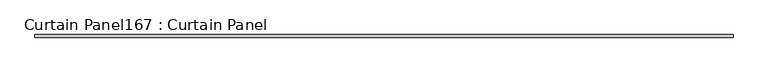
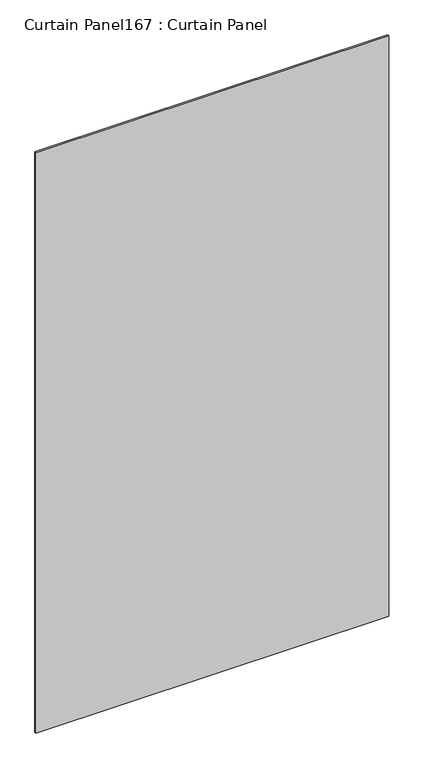
"""IFC4 building model written with IfcOpenShell, lengths in millimetres: plate geometry, Curtain Panel167 : Curtain Panel."""

from ifc_helpers import new_model, si_unit, frame, origin, place, context, project, spatial, polyline, outline, extrude, source, transform, mapped, element, save


def curtain_panel167_curtain_panel_6d58650a(model_context):
    return source(origin(), model_context, "Body", "SweptSolid", [
        extrude(outline(polyline([(468425.5898115, 2306.1776821), (462527.2243783, 2306.1776821), (462527.2243783, 2331.5776821), (468425.5898115, 2331.5776821), (468425.5898115, 2306.1776821)])), frame((0.0, 0.0, 5167.6964155), z_axis=(0.0, 0.0, 1.0), x_axis=(1.0, 0.0, 0.0)), (0.0, 0.0, 1.0), 10254.6966773),
    ])


if __name__ == "__main__":
    model = new_model("IFC4")
    model_context = context("Model", 3, world=origin())
    ifc_project = project(units=[si_unit("LENGTHUNIT", "METRE", prefix="MILLI")], contexts=[model_context])
    site = spatial("IfcSite", under=ifc_project)
    building = spatial("IfcBuilding", under=site)
    placement = place(None, origin())
    curtain_panel167_curtain_panel_shape = curtain_panel167_curtain_panel_6d58650a(model_context)
    element("IfcPlate", 1, ObjectType="Curtain Panel167 : Curtain Panel", at=placement, inside=building, context=model_context, shape_type="MappedRepresentation", body=[
        mapped(curtain_panel167_curtain_panel_shape, transform((0.0, 0.0, 0.0), x_axis=(1.0, 0.0, 0.0), y_axis=(0.0, 1.0, 0.0), z_axis=(0.0, 0.0, 1.0))),
    ])
    save(model, "model.ifc")
